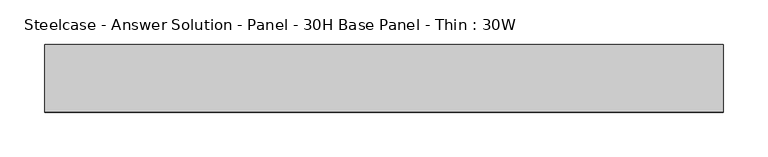
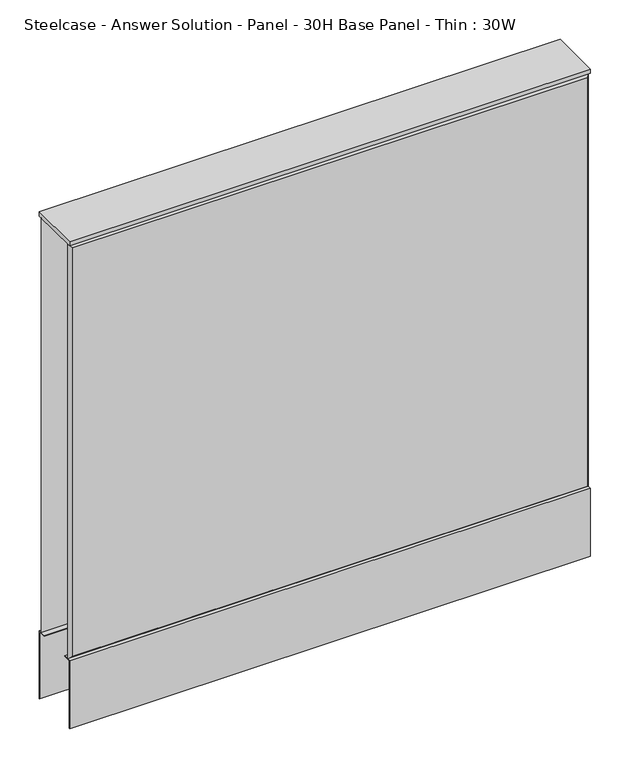
"""IFC4 building model written with IfcOpenShell, lengths in millimetres: furniture geometry, Steelcase - Answer Solution - Panel - 30H Base Panel - Thin : 30W."""

import ifcopenshell
import ifcopenshell.guid

model = None  # the IFC model being written
_history = None  # IfcOwnerHistory: only IFC2X3 demands one
_inside = {}  # id of a spatial element -> (the spatial element, [elements in it])
_under = {}  # id of a project, library or spatial element -> (it, [spatial elements below it])
_declared = {}  # id of a project -> (the project, [libraries it declares])
_typed = {}  # id of a type object -> (the type object, [elements of that type])
_made_of = {}  # id of a material, layer set ... -> (it, [elements and type objects made of it])


def new_model(schema):
    """Start an empty IFC model of exactly this schema.

    Asked for "IFC4X3", IfcOpenShell would pick the latest addendum, in which some entities
    have other attributes; the version numbers below select the first issue.
    IFC2X3 requires an IfcOwnerHistory on every rooted entity: one is made here for all.
    """
    global model, _history
    if schema == "IFC4X3":
        model = ifcopenshell.file(schema_version=(4, 3, 0, 0))
    else:
        model = ifcopenshell.file(schema=schema)
    _inside.clear()
    _under.clear()
    _declared.clear()
    _typed.clear()
    _made_of.clear()
    _history = None
    if model.schema == "IFC2X3":
        org = make("IfcOrganization", Name="unknown")
        user = make(
            "IfcPersonAndOrganization",
            ThePerson=make("IfcPerson", FamilyName="unknown"),
            TheOrganization=org,
        )
        app = make(
            "IfcApplication",
            ApplicationDeveloper=org,
            Version="unknown",
            ApplicationFullName="unknown",
            ApplicationIdentifier="unknown",
        )
        _history = make(
            "IfcOwnerHistory",
            OwningUser=user,
            OwningApplication=app,
            ChangeAction="ADDED",
            CreationDate=0,
        )
    return model


def make(cls, **values):
    """One entity of the class cls with the attributes given. An attribute that is None is left unset."""
    return model.create_entity(
        cls, **{name: value for name, value in values.items() if value is not None}
    )


def rooted(cls, **values):
    """An entity with a GlobalId (a new one), such as an element, a storey or a relation."""
    return make(cls, GlobalId=ifcopenshell.guid.new(), OwnerHistory=_history, **values)


def si_unit(unit_type, name, prefix=None):
    """IfcSIUnit, for example si_unit("LENGTHUNIT", "METRE", prefix="MILLI")."""
    return make("IfcSIUnit", UnitType=unit_type, Prefix=prefix, Name=name)


def assignment(units):
    """IfcUnitAssignment: the units of a project."""
    return None if units is None else make("IfcUnitAssignment", Units=units)


def point(xyz):
    """IfcCartesianPoint."""
    return None if xyz is None else make("IfcCartesianPoint", Coordinates=xyz)


def direction(xyz):
    """IfcDirection."""
    return None if xyz is None else make("IfcDirection", DirectionRatios=xyz)


def frame(location, z_axis=None, x_axis=None):
    """IfcAxis2Placement3D, a coordinate frame: its origin and axes. An axis left out is left unset."""
    return make(
        "IfcAxis2Placement3D",
        Location=point(location),
        Axis=direction(z_axis),
        RefDirection=direction(x_axis),
    )


def origin():
    """The frame at (0, 0, 0) with its axes left unset."""
    return frame((0.0, 0.0, 0.0))


def place(relative_to, where):
    """IfcLocalPlacement: puts the frame where relative to a parent placement (None: the world)."""
    return make(
        "IfcLocalPlacement", PlacementRelTo=relative_to, RelativePlacement=where
    )


def context(
    kind, dimensions, precision=None, world=None, true_north=None, identifier=None
):
    """IfcGeometricRepresentationContext, for example the 3D "Model" context."""
    return make(
        "IfcGeometricRepresentationContext",
        ContextIdentifier=identifier,
        ContextType=kind,
        CoordinateSpaceDimension=dimensions,
        Precision=precision,
        WorldCoordinateSystem=world,
        TrueNorth=true_north,
    )


def project(units=None, contexts=None):
    """IfcProject with its units and contexts."""
    return rooted(
        "IfcProject",
        Name="project",
        RepresentationContexts=contexts,
        UnitsInContext=assignment(units),
    )


def spatial(cls, under=None, at=None, **own):
    """A site, building, storey or space (cls), placed at a placement, below another one or the project."""
    s = rooted(cls, ObjectPlacement=at, **own)
    if under is not None:
        _under.setdefault(under.id(), (under, []))[1].append(s)
    return s


def polyline(points):
    """IfcPolyline through the points."""
    return make("IfcPolyline", Points=[point(p) for p in points])


def outline(outer, holes=None, kind="AREA"):
    """IfcArbitraryClosedProfileDef: a profile drawn as a closed curve; with holes, ...WithVoids."""
    if holes is None:
        return make("IfcArbitraryClosedProfileDef", ProfileType=kind, OuterCurve=outer)
    return make(
        "IfcArbitraryProfileDefWithVoids",
        ProfileType=kind,
        OuterCurve=outer,
        InnerCurves=holes,
    )


def extrude(swept, where, along, depth):
    """IfcExtrudedAreaSolid: the profile swept, set in the frame where, extruded along a direction by depth."""
    return make(
        "IfcExtrudedAreaSolid",
        SweptArea=swept,
        Position=where,
        ExtrudedDirection=direction(along),
        Depth=depth,
    )


def faces_of(points, faces, orient=None, outer=None):
    """IfcFace entities. A face is a list of loops; a loop is a list of indices into points, from 0.

    orient and outer hold one flag for each loop. By default every Orientation is true, the
    first loop of a face is its IfcFaceOuterBound and the others are IfcFaceBound.
    """
    made = []
    for i, loops in enumerate(faces):
        bounds = []
        for j, loop in enumerate(loops):
            is_outer = j == 0 if outer is None else outer[i][j]
            bounds.append(
                make(
                    "IfcFaceOuterBound" if is_outer else "IfcFaceBound",
                    Bound=make("IfcPolyLoop", Polygon=[points[k] for k in loop]),
                    Orientation=True if orient is None else orient[i][j],
                )
            )
        made.append(make("IfcFace", Bounds=bounds))
    return made


def faceted_brep(points, faces, orient=None, outer=None, voids=None):
    """IfcFacetedBrep: a solid bounded by flat faces; with voids (closed shells), ...WithVoids."""
    shared = [point(p) for p in points]
    hull = make("IfcClosedShell", CfsFaces=faces_of(shared, faces, orient, outer))
    if voids is None:
        return make("IfcFacetedBrep", Outer=hull)
    return make(
        "IfcFacetedBrepWithVoids",
        Outer=hull,
        Voids=[
            make(cls, CfsFaces=faces_of(shared, fs, o, b)) for cls, fs, o, b in voids
        ],
    )


def shape(context_of_items, identifier, shape_type, items):
    """IfcShapeRepresentation: the items that make up one representation, for example the "Body"."""
    return make(
        "IfcShapeRepresentation",
        ContextOfItems=context_of_items,
        RepresentationIdentifier=identifier,
        RepresentationType=shape_type,
        Items=items,
    )


def source(mapping_origin, context_of_items, identifier, shape_type, items):
    """IfcRepresentationMap: a shape defined once, which mapped items show again and again."""
    return make(
        "IfcRepresentationMap",
        MappingOrigin=mapping_origin,
        MappedRepresentation=shape(context_of_items, identifier, shape_type, items),
    )


def transform(
    local_origin,
    x_axis=None,
    y_axis=None,
    z_axis=None,
    scale=None,
    scale2=None,
    scale3=None,
    uniform=True,
):
    """IfcCartesianTransformationOperator3D, or its non-uniform kind. x_axis, y_axis, z_axis: its Axis1, 2, 3."""
    if uniform:
        return make(
            "IfcCartesianTransformationOperator3D",
            Axis1=direction(x_axis),
            Axis2=direction(y_axis),
            LocalOrigin=point(local_origin),
            Scale=scale,
            Axis3=direction(z_axis),
        )
    return make(
        "IfcCartesianTransformationOperator3DnonUniform",
        Axis1=direction(x_axis),
        Axis2=direction(y_axis),
        LocalOrigin=point(local_origin),
        Scale=scale,
        Axis3=direction(z_axis),
        Scale2=scale2,
        Scale3=scale3,
    )


def mapped(mapping_source, mapping_target):
    """IfcMappedItem: shows the shape of a source again, moved by a transform."""
    return make(
        "IfcMappedItem", MappingSource=mapping_source, MappingTarget=mapping_target
    )


def made_of(thing, what):
    """Note that an element or type object is made of a material, layer set ...; save() writes the relation."""
    if what is not None:
        _made_of.setdefault(what.id(), (what, []))[1].append(thing)
    return thing


def element(
    cls,
    number,
    at=None,
    inside=None,
    cuts=None,
    type_object=None,
    material=None,
    context=None,
    identifier="Body",
    shape_type=None,
    held_by="IfcProductDefinitionShape",
    body=None,
    shapes=None,
    **own,
):
    """One element of the class cls, such as IfcWall. Its Tag is "e" and its number.

    at: its placement. inside: the storey or other place that contains it. cuts: it is an
    opening in that element (IfcRelVoidsElement). A single representation is given by context,
    identifier, shape_type and body (its items); several are given by shapes. held_by: the class
    of the entity that holds the representations. save() writes the other relations.
    """
    e = rooted(cls, Tag="e%d" % number, ObjectPlacement=at, **own)
    if body is not None:
        shapes = [shape(context, identifier, shape_type, body)]
    if shapes is not None:
        e.Representation = make(held_by, Representations=shapes)
    if inside is not None:
        _inside.setdefault(inside.id(), (inside, []))[1].append(e)
    if cuts is not None:
        rooted(
            "IfcRelVoidsElement", RelatingBuildingElement=cuts, RelatedOpeningElement=e
        )
    if type_object is not None:
        _typed.setdefault(type_object.id(), (type_object, []))[1].append(e)
    return made_of(e, material)


def aggregate(whole, parts):
    """IfcRelAggregates: a whole, such as a stair, and the parts it consists of."""
    return rooted("IfcRelAggregates", RelatingObject=whole, RelatedObjects=parts)


def save(model, path):
    """Write the relations noted so far, then the file.

    IfcRelAggregates (storeys below a building ...), IfcRelContainedInSpatialStructure (elements
    in a storey), IfcRelDefinesByType, IfcRelAssociatesMaterial and IfcRelDeclares: one each for
    every whole, place, type object, material and project.
    """
    for whole, parts in _under.values():
        aggregate(whole, parts)
    for where, things in _inside.values():
        rooted(
            "IfcRelContainedInSpatialStructure",
            RelatedElements=things,
            RelatingStructure=where,
        )
    for kind, things in _typed.values():
        rooted("IfcRelDefinesByType", RelatedObjects=things, RelatingType=kind)
    for what, things in _made_of.values():
        rooted("IfcRelAssociatesMaterial", RelatedObjects=things, RelatingMaterial=what)
    for by, libraries in _declared.values():
        rooted("IfcRelDeclares", RelatingContext=by, RelatedDefinitions=libraries)
    model.write(path)


def steelcase_answer_solution_panel_30h_base_panel_thin_30w_e76e8756(model_context):
    return source(origin(), model_context, "Body", "SolidModel", [
        extrude(outline(polyline([(-37.3075215, 119.8575157), (-37.3075215, 15.494), (-38.1000194, 15.494), (-38.1000194, 120.65), (-25.4000011, 120.65), (-25.4000011, 119.8575157), (-37.3075215, 119.8575157)])), frame((-381.0, 0.0, 0.0), z_axis=(1.0, 0.0, 0.0), x_axis=(0.0, 1.0, 0.0)), (0.0, 0.0, 1.0), 762.0),
        extrude(outline(polyline([(37.3075215, 119.8575157), (25.4000011, 119.8575157), (25.4000011, 120.65), (38.1000194, 120.65), (38.1000194, 15.494), (37.3075215, 15.494), (37.3075215, 119.8575157)])), frame((-381.0, 0.0, 0.0), z_axis=(1.0, 0.0, 0.0), x_axis=(0.0, 1.0, 0.0)), (0.0, 0.0, 1.0), 762.0),
        faceted_brep([(376.174, -38.100001, 757.174), (-376.174, -38.100001, 757.174), (-376.174, -38.100001, 125.476), (376.174, -38.100001, 125.476), (381.0, -33.274001, 762.0), (381.0, -33.274001, 120.65), (-381.0, -33.274001, 120.65), (-381.0, -33.274001, 762.0)], [[[0, 1, 2, 3]], [[4, 5, 6, 7]], [[4, 7, 1, 0]], [[7, 6, 2, 1]], [[6, 5, 3, 2]], [[5, 4, 0, 3]]]),
        faceted_brep([(376.174, 38.100001, 757.174), (376.174, 38.100001, 125.476), (-376.174, 38.100001, 125.476), (-376.174, 38.100001, 757.174), (381.0, 33.274001, 762.0), (-381.0, 33.274001, 762.0), (-381.0, 33.274001, 120.65), (381.0, 33.274001, 120.65)], [[[0, 1, 2, 3]], [[4, 5, 6, 7]], [[4, 0, 3, 5]], [[5, 3, 2, 6]], [[6, 2, 1, 7]], [[7, 1, 0, 4]]]),
        extrude(outline(polyline([(381.0, -38.1000194), (-381.0, -38.1000194), (-381.0, 38.1000194), (381.0, 38.1000194), (381.0, -38.1000194)])), frame((0.0, 0.0, 762.0), z_axis=(0.0, 0.0, 1.0), x_axis=(1.0, 0.0, 0.0)), (0.0, 0.0, 1.0), 6.35),
    ])


if __name__ == "__main__":
    model = new_model("IFC4")
    model_context = context("Model", 3, world=origin())
    ifc_project = project(units=[si_unit("LENGTHUNIT", "METRE", prefix="MILLI")], contexts=[model_context])
    site = spatial("IfcSite", under=ifc_project)
    building = spatial("IfcBuilding", under=site)
    placement = place(None, origin())
    steelcase_answer_solution_panel_30h_base_panel_thin_30w_shape = steelcase_answer_solution_panel_30h_base_panel_thin_30w_e76e8756(model_context)
    element("IfcFurniture", 1, ObjectType="Steelcase - Answer Solution - Panel - 30H Base Panel - Thin : 30W", at=placement, inside=building, context=model_context, shape_type="MappedRepresentation", body=[
        mapped(steelcase_answer_solution_panel_30h_base_panel_thin_30w_shape, transform((0.0, 0.0, 0.0), x_axis=(1.0, 0.0, 0.0), y_axis=(0.0, 1.0, 0.0), z_axis=(0.0, 0.0, 1.0))),
    ])
    save(model, "model.ifc")
